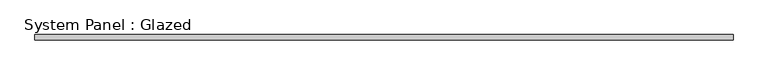
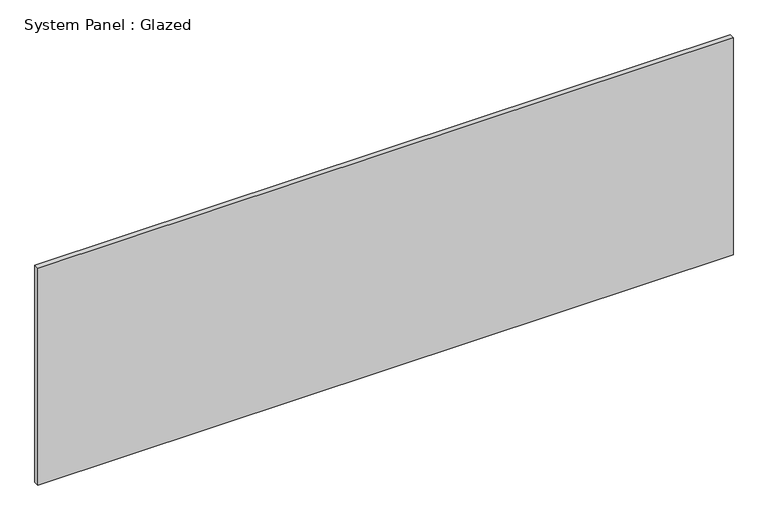
"""IFC4 building model written with IfcOpenShell, lengths in millimetres: plate geometry, System Panel : Glazed."""

from ifc_helpers import new_model, si_unit, origin, origin_with_axes, place, context, project, spatial, polyline, outline, extrude, source, transform, mapped, element, save


def system_panel_glazed_0486a66d(model_context):
    return source(origin(), model_context, "Body", "SweptSolid", [
        extrude(outline(polyline([(1703.4957867, -44.45), (-1703.4957867, -44.45), (-1703.4957867, -19.05), (1703.4957867, -19.05), (1703.4957867, -44.45)])), origin_with_axes(), (0.0, 0.0, 1.0), 1123.95),
    ])


if __name__ == "__main__":
    model = new_model("IFC4")
    model_context = context("Model", 3, world=origin())
    ifc_project = project(units=[si_unit("LENGTHUNIT", "METRE", prefix="MILLI")], contexts=[model_context])
    site = spatial("IfcSite", under=ifc_project)
    building = spatial("IfcBuilding", under=site)
    placement = place(None, origin())
    system_panel_glazed_shape = system_panel_glazed_0486a66d(model_context)
    element("IfcPlate", 1, ObjectType="System Panel : Glazed", at=placement, inside=building, context=model_context, shape_type="MappedRepresentation", body=[
        mapped(system_panel_glazed_shape, transform((0.0, 0.0, 0.0), x_axis=(1.0, 0.0, 0.0), y_axis=(0.0, 1.0, 0.0), z_axis=(0.0, 0.0, 1.0))),
    ])
    save(model, "model.ifc")
